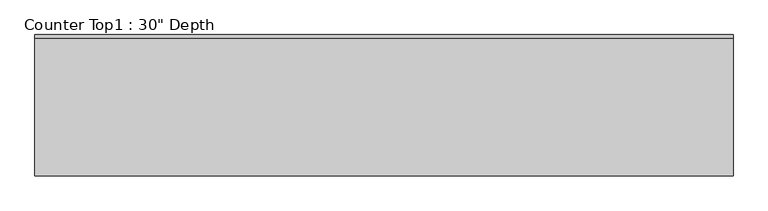
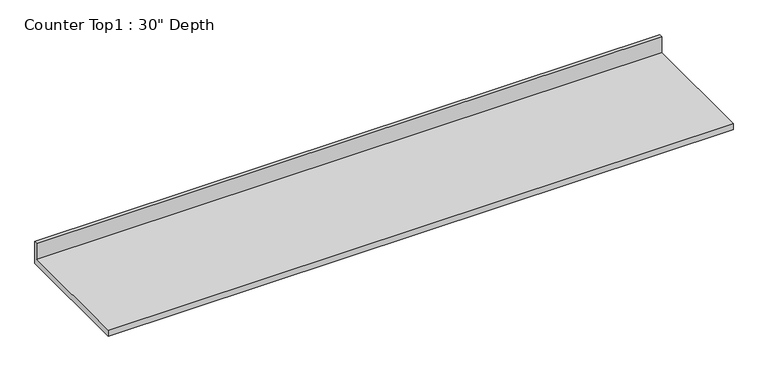
"""IFC4 building model written with IfcOpenShell, lengths in millimetres: furniture geometry."""

from ifc_helpers import new_model, si_unit, frame, origin, place, context, project, spatial, polyline, outline, extrude, source, transform, mapped, element, save


def furniture_ab6b0b15(model_context):
    return source(origin(), model_context, "Body", "SweptSolid", [
        extrude(outline(polyline([(0.0, 1016.0), (0.0, 876.3), (-762.0, 876.3), (-762.0, 914.4), (-19.05, 914.4), (-19.05, 1016.0), (0.0, 1016.0)])), frame((-1200.4622951, 0.0, 0.0), z_axis=(1.0, 0.0, 0.0), x_axis=(0.0, 1.0, 0.0)), (0.0, 0.0, 1.0), 3759.2),
    ])


if __name__ == "__main__":
    model = new_model("IFC4")
    model_context = context("Model", 3, world=origin())
    ifc_project = project(units=[si_unit("LENGTHUNIT", "METRE", prefix="MILLI")], contexts=[model_context])
    site = spatial("IfcSite", under=ifc_project)
    building = spatial("IfcBuilding", under=site)
    placement = place(None, origin())
    furniture_shape = furniture_ab6b0b15(model_context)
    element("IfcFurniture", 1, ObjectType="Counter Top1 : 30\" Depth", at=placement, inside=building, context=model_context, shape_type="MappedRepresentation", body=[
        mapped(furniture_shape, transform((0.0, 0.0, 0.0), x_axis=(1.0, 0.0, 0.0), y_axis=(0.0, 1.0, 0.0), z_axis=(0.0, 0.0, 1.0))),
    ])
    save(model, "model.ifc")
